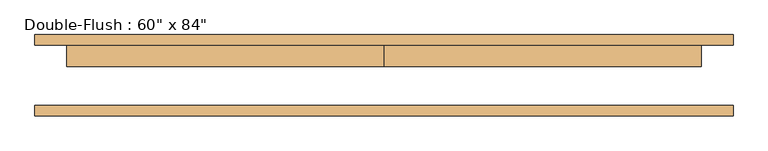
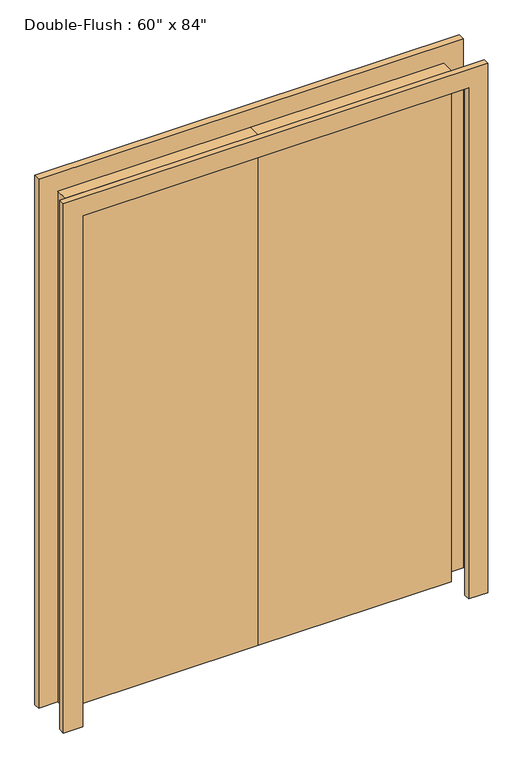
"""IFC4 building model written with IfcOpenShell, lengths in millimetres: door geometry."""

from ifc_helpers import new_model, si_unit, frame, origin, origin_with_axes, place, context, project, spatial, polyline, outline, extrude, source, transform, mapped, element, save


def door_c968589c(model_context):
    return source(origin(), model_context, "Body", "SweptSolid", [
        extrude(outline(polyline([(0.0, 72.375), (762.0, 72.375), (762.0, 21.575), (0.0, 21.575), (0.0, 72.375)])), origin_with_axes(), (0.0, 0.0, 1.0), 2133.6),
        extrude(outline(polyline([(-762.0, 72.375), (0.0, 72.375), (0.0, 21.575), (-762.0, 21.575), (-762.0, 72.375)])), origin_with_axes(), (0.0, 0.0, 1.0), 2133.6),
        extrude(outline(polyline([(2133.6, -762.0), (2133.6, 762.0), (0.0, 762.0), (0.0, 838.2), (2209.8, 838.2), (2209.8, -838.2), (0.0, -838.2), (0.0, -762.0), (2133.6, -762.0)])), frame((0.0, -97.775, 0.0), z_axis=(0.0, 1.0, 0.0), x_axis=(0.0, 0.0, 1.0)), (0.0, 0.0, 1.0), 25.4),
        extrude(outline(polyline([(2133.6, -762.0), (2133.6, 762.0), (0.0, 762.0), (0.0, 838.2), (2209.8, 838.2), (2209.8, -838.2), (0.0, -838.2), (0.0, -762.0), (2133.6, -762.0)])), frame((0.0, 72.375, 0.0), z_axis=(0.0, 1.0, 0.0), x_axis=(0.0, 0.0, 1.0)), (0.0, 0.0, 1.0), 25.4),
    ])


if __name__ == "__main__":
    model = new_model("IFC4")
    model_context = context("Model", 3, world=origin())
    ifc_project = project(units=[si_unit("LENGTHUNIT", "METRE", prefix="MILLI")], contexts=[model_context])
    site = spatial("IfcSite", under=ifc_project)
    building = spatial("IfcBuilding", under=site)
    placement = place(None, origin())
    door_shape = door_c968589c(model_context)
    element("IfcDoor", 1, ObjectType="Double-Flush : 60\" x 84\"", at=placement, inside=building, context=model_context, shape_type="MappedRepresentation", body=[
        mapped(door_shape, transform((0.0, 0.0, 0.0), x_axis=(1.0, 0.0, 0.0), y_axis=(0.0, 1.0, 0.0), z_axis=(0.0, 0.0, 1.0))),
    ])
    save(model, "model.ifc")
